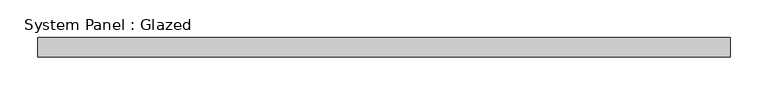
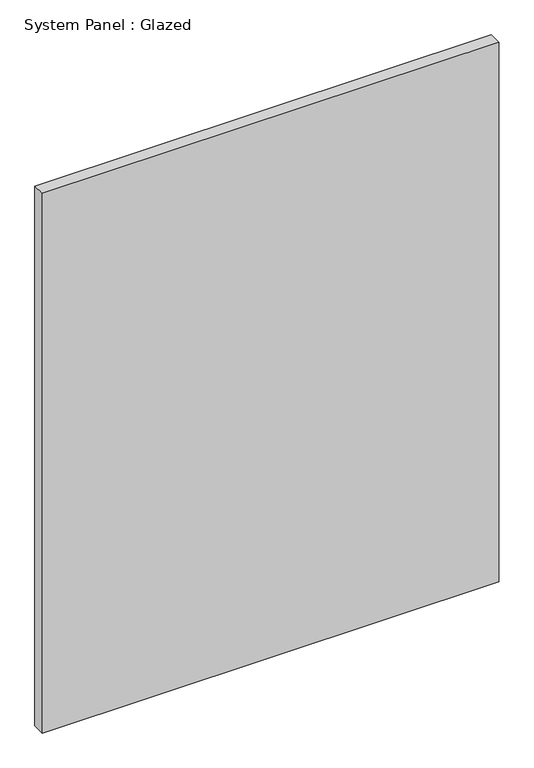
"""IFC4 building model written with IfcOpenShell, lengths in millimetres: plate geometry, System Panel : Glazed."""

from ifc_helpers import new_model, si_unit, origin, origin_with_axes, place, context, project, spatial, polyline, outline, extrude, source, transform, mapped, element, save


def system_panel_glazed_57ec144e(model_context):
    return source(origin(), model_context, "Body", "SweptSolid", [
        extrude(outline(polyline([(457.2, -12.7), (-457.2, -12.7), (-457.2, 12.7), (457.2, 12.7), (457.2, -12.7)])), origin_with_axes(), (0.0, 0.0, 1.0), 1143.0),
    ])


if __name__ == "__main__":
    model = new_model("IFC4")
    model_context = context("Model", 3, world=origin())
    ifc_project = project(units=[si_unit("LENGTHUNIT", "METRE", prefix="MILLI")], contexts=[model_context])
    site = spatial("IfcSite", under=ifc_project)
    building = spatial("IfcBuilding", under=site)
    placement = place(None, origin())
    system_panel_glazed_shape = system_panel_glazed_57ec144e(model_context)
    element("IfcPlate", 1, ObjectType="System Panel : Glazed", at=placement, inside=building, context=model_context, shape_type="MappedRepresentation", body=[
        mapped(system_panel_glazed_shape, transform((0.0, 0.0, 0.0), x_axis=(1.0, 0.0, 0.0), y_axis=(0.0, 1.0, 0.0), z_axis=(0.0, 0.0, 1.0))),
    ])
    save(model, "model.ifc")
